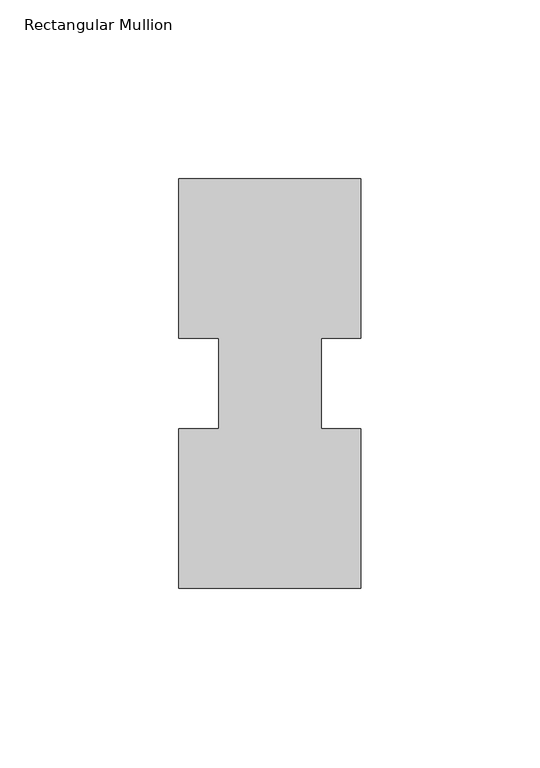
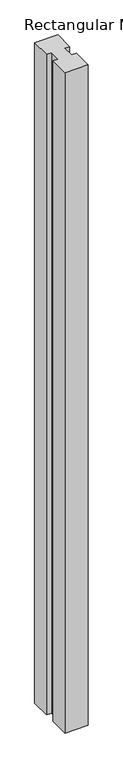
"""IFC4 building model written with IfcOpenShell, lengths in millimetres: member geometry, Rectangular Mullion."""

from ifc_helpers import new_model, si_unit, frame, origin, place, context, project, spatial, polyline, outline, extrude, source, transform, mapped, element, save


def rectangular_mullion_6ac3e20f(model_context):
    return source(origin(), model_context, "Body", "SweptSolid", [
        extrude(outline(polyline([(-25.4, -57.15), (-25.4, -12.7), (-14.2875, -12.7), (-14.2875, 12.6906895), (-25.4, 12.6906895), (-25.4, 57.15), (25.4, 57.15), (25.4, 12.6906895), (14.2875, 12.6906895), (14.2875, -12.7), (25.4, -12.7), (25.4, -57.15), (-25.4, -57.15)])), frame((0.0, 0.0, -1524.0), z_axis=(0.0, 0.0, 1.0), x_axis=(1.0, 0.0, 0.0)), (0.0, 0.0, 1.0), 1524.0),
    ])


if __name__ == "__main__":
    model = new_model("IFC4")
    model_context = context("Model", 3, world=origin())
    ifc_project = project(units=[si_unit("LENGTHUNIT", "METRE", prefix="MILLI")], contexts=[model_context])
    site = spatial("IfcSite", under=ifc_project)
    building = spatial("IfcBuilding", under=site)
    placement = place(None, origin())
    rectangular_mullion_shape = rectangular_mullion_6ac3e20f(model_context)
    element("IfcMember", 1, ObjectType="Rectangular Mullion", at=placement, inside=building, context=model_context, shape_type="MappedRepresentation", body=[
        mapped(rectangular_mullion_shape, transform((0.0, 0.0, 0.0), x_axis=(1.0, 0.0, 0.0), y_axis=(0.0, 1.0, 0.0), z_axis=(0.0, 0.0, 1.0))),
    ])
    save(model, "model.ifc")
